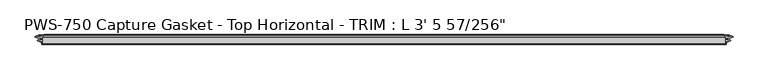
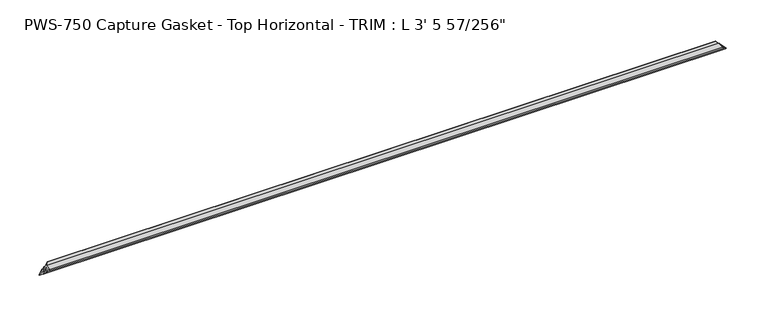
"""IFC4 building model written with IfcOpenShell, lengths in millimetres: proxy geometry."""

from ifc_helpers import new_model, si_unit, origin, place, context, project, spatial, faceted_brep, source, transform, mapped, element, save


def proxy_3be414d2(model_context):
    return source(origin(), model_context, "Body", "Brep", [
        faceted_brep([(1036.4743, 3.1126161, 10.5811687), (10.5811687, 3.1126161, 10.5811687), (10.0325598, 3.8999328, 10.0325598), (1037.022909, 3.8999328, 10.0325598), (6.917311, 4.2700002, 6.917311), (1040.1381577, 4.2700002, 6.917311), (8.2166266, 3.1803976, 8.2166266), (1038.8388422, 3.1803976, 8.2166266), (4.271917, 4.5858484, 4.271917), (1042.7835518, 4.5858484, 4.271917), (3.6825598, 5.3411219, 3.6825598), (1043.372909, 5.3411219, 3.6825598), (4.3087184, 6.061435, 4.3087184), (1042.7467504, 6.061435, 4.3087184), (8.2166266, 7.4537739, 8.2166266), (1038.8388422, 7.4537739, 8.2166266), (6.917311, 6.3641713, 6.917311), (1040.1381577, 6.3641713, 6.917311), (10.0325598, 6.7342387, 10.0325598), (1037.022909, 6.7342387, 10.0325598), (10.0325598, 9.5788982, 10.0325598), (1037.022909, 9.5788982, 10.0325598), (4.445663, 9.5788982, 4.445663), (1042.6098058, 9.5788982, 4.445663), (0.0, 10.6566114, 0.0631583), (1047.0554688, 10.6566114, 0.0631583), (0.3097145, 11.6592287, 0.3097145), (1046.7457542, 11.6592287, 0.3097145), (5.4117726, 14.0291241, 5.4117726), (1041.6436962, 14.0291241, 5.4117726), (3.3557311, 11.9730826, 3.3557311), (1043.6997376, 11.9730826, 3.3557311), (5.5225062, 11.9730826, 5.5225062), (1041.5329625, 11.9730826, 5.5225062), (8.4924715, 14.0291241, 8.4924715), (1038.5629973, 14.0291241, 8.4924715), (6.649436, 11.7844518, 6.649436), (1040.4060328, 11.7844518, 6.649436), (9.7544194, 12.0846322, 9.7544194), (1037.3010494, 12.0846322, 9.7544194), (13.9901764, 14.4184849, 13.9901764), (1033.0652924, 14.4184849, 13.9901764), (14.3553266, 13.6397632, 14.3553266), (1032.7001421, 13.6397632, 14.3553266), (11.8032491, 11.0876857, 11.8032491), (1035.2522197, 11.0876857, 11.8032491), (11.4576697, 1.3581987, 11.4576697), (1035.5977991, 1.3581987, 11.4576697), (10.099471, 0.0, 10.099471), (1036.9559978, 0.0, 10.099471), (10.099471, 1.1075685, 10.099471), (1036.9559978, 1.1075685, 10.099471)], [[[0, 1, 2, 3]], [[3, 2, 4, 5]], [[5, 4, 6, 7]], [[7, 6, 8, 9]], [[9, 8, 10, 11]], [[11, 10, 12, 13]], [[13, 12, 14, 15]], [[15, 14, 16, 17]], [[17, 16, 18, 19]], [[19, 18, 20, 21]], [[21, 20, 22, 23]], [[24, 25, 23, 22]], [[25, 24, 26, 27]], [[27, 26, 28, 29]], [[29, 28, 30, 31]], [[31, 30, 32, 33]], [[33, 32, 34, 35]], [[35, 34, 36, 37]], [[37, 36, 38, 39]], [[39, 38, 40, 41]], [[41, 40, 42, 43]], [[43, 42, 44, 45]], [[45, 44, 46, 47]], [[47, 46, 48, 49]], [[49, 48, 50, 51]], [[1, 0, 51, 50]], [[2, 1, 50, 48, 46, 44, 42, 40, 38, 36, 34, 32, 30, 28, 26, 24, 22, 20, 18, 16, 14, 12, 10, 8, 6, 4]], [[0, 3, 5, 7, 9, 11, 13, 15, 17, 19, 21, 23, 25, 27, 29, 31, 33, 35, 37, 39, 41, 43, 45, 47, 49, 51]]]),
    ])


if __name__ == "__main__":
    model = new_model("IFC4")
    model_context = context("Model", 3, world=origin())
    ifc_project = project(units=[si_unit("LENGTHUNIT", "METRE", prefix="MILLI")], contexts=[model_context])
    site = spatial("IfcSite", under=ifc_project)
    building = spatial("IfcBuilding", under=site)
    placement = place(None, origin())
    proxy_shape = proxy_3be414d2(model_context)
    element("IfcBuildingElementProxy", 1, Name="PWS-750 Capture Gasket - Top Horizontal - TRIM : L 3' 5 57/256\"", ObjectType="PWS-750 Capture Gasket - Top Horizontal - TRIM : L 3' 5 57/256\"", at=placement, inside=building, context=model_context, shape_type="MappedRepresentation", body=[
        mapped(proxy_shape, transform((0.0, 0.0, 0.0), x_axis=(1.0, 0.0, 0.0), y_axis=(0.0, 1.0, 0.0), z_axis=(0.0, 0.0, 1.0))),
    ])
    save(model, "model.ifc")
